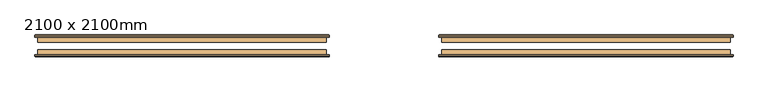
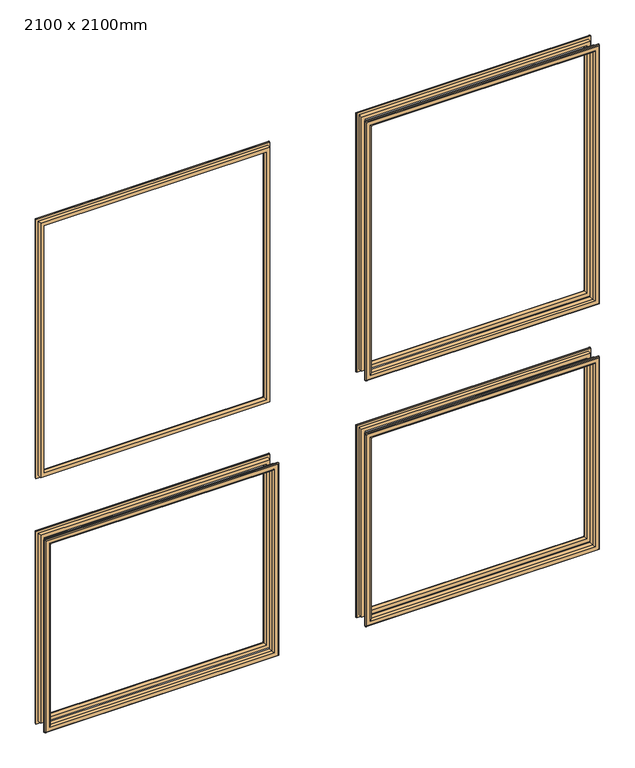
"""IFC4 building model written with IfcOpenShell, lengths in millimetres: door geometry, 2100 x 2100mm."""

from ifc_helpers import new_model, si_unit, frame, origin, place, context, project, spatial, ellipse_curve, source, transform, mapped, element, save
from ifc_brep_helpers import plane_surface, cylinder_surface, advanced_brep


def door_2100_x_2100mm_2986aa5a(model_context):
    return source(origin(), model_context, "Body", "AdvancedBrep", [
        advanced_brep(
        [(-900.0, 68.85, 900.0), (-900.0, 81.35, 900.0), (-900.0, 81.35, 250.0), (-900.0, 68.85, 250.0), (-888.0, 82.35, 888.0), (-888.0, 68.85, 888.0), (-888.0, 68.85, 262.0), (-888.0, 82.35, 262.0), (-893.0, 87.35, 893.0), (-893.0, 87.35, 257.0), (-908.0, 85.35, 908.0), (-906.0, 87.35, 906.0), (-906.0, 87.35, 244.0), (-908.0, 85.35, 242.0), (-908.0, 81.35, 908.0), (-908.0, 81.35, 242.0), (-150.0, 81.35, 250.0), (-150.0, 68.85, 250.0), (-162.0, 68.85, 262.0), (-162.0, 82.35, 262.0), (-157.0, 87.35, 257.0), (-144.0, 87.35, 244.0), (-142.0, 85.35, 242.0), (-142.0, 81.35, 242.0), (-150.0, 81.35, 900.0), (-150.0, 68.85, 900.0), (-162.0, 68.85, 888.0), (-162.0, 82.35, 888.0), (-157.0, 87.35, 893.0), (-144.0, 87.35, 906.0), (-142.0, 85.35, 908.0), (-142.0, 81.35, 908.0)],
        [
            (0, 1),
            (1, 2),
            (2, 3),
            (3, 0),
            (4, 5),
            (5, 6),
            (6, 7),
            (7, 4),
            (8, 4, ellipse_curve(frame((-893.0, 82.35, 893.0), z_axis=(-0.7071067811865475, 0.0, -0.7071067811865475), x_axis=(-0.7071067811865474, 0.0, 0.7071067811865476)), 7.0710678, 5.0)),
            (7, 9, ellipse_curve(frame((-893.0, 82.35, 257.0), z_axis=(-0.7071067811865475, 0.0, 0.7071067811865475), x_axis=(0.7071067811865474, 0.0, 0.7071067811865476)), 7.0710678, 5.0)),
            (9, 8),
            (10, 11, ellipse_curve(frame((-906.0, 85.35, 906.0), z_axis=(-0.7071067811865475, 0.0, -0.7071067811865475), x_axis=(-0.7071067811865474, 0.0, 0.7071067811865476)), 2.8284271, 2.0)),
            (11, 12),
            (12, 13, ellipse_curve(frame((-906.0, 85.35, 244.0), z_axis=(-0.7071067811865475, 0.0, 0.7071067811865475), x_axis=(0.7071067811865474, 0.0, 0.7071067811865476)), 2.8284271, 2.0)),
            (13, 10),
            (14, 10),
            (13, 15),
            (15, 14),
            (2, 16),
            (16, 17),
            (17, 3),
            (6, 18),
            (18, 19),
            (19, 7),
            (19, 20, ellipse_curve(frame((-157.0, 82.35, 257.0), z_axis=(-0.7071067811865475, 0.0, -0.7071067811865475), x_axis=(-0.7071067811865476, 0.0, 0.7071067811865474)), 7.0710678, 5.0)),
            (20, 9),
            (12, 21),
            (21, 22, ellipse_curve(frame((-144.0, 85.35, 244.0), z_axis=(-0.7071067811865475, 0.0, -0.7071067811865475), x_axis=(-0.7071067811865476, 0.0, 0.7071067811865474)), 2.8284271, 2.0)),
            (22, 13),
            (22, 23),
            (23, 15),
            (16, 24),
            (24, 25),
            (25, 17),
            (18, 26),
            (26, 27),
            (27, 19),
            (27, 28, ellipse_curve(frame((-157.0, 82.35, 893.0), z_axis=(0.7071067811865475, 0.0, -0.7071067811865475), x_axis=(-0.7071067811865474, 0.0, -0.7071067811865476)), 7.0710678, 5.0)),
            (28, 20),
            (21, 29),
            (29, 30, ellipse_curve(frame((-144.0, 85.35, 906.0), z_axis=(0.7071067811865475, 0.0, -0.7071067811865475), x_axis=(-0.7071067811865474, 0.0, -0.7071067811865476)), 2.8284271, 2.0)),
            (30, 22),
            (30, 31),
            (31, 23),
            (31, 14),
            (1, 24),
            (0, 25),
            (5, 26),
            (4, 27),
            (8, 28),
            (11, 29),
            (10, 30),
        ],
        [
            plane_surface(frame((-900.0, 81.35, 900.0), z_axis=(-1.0, 0.0, 0.0), x_axis=(0.0, 0.0, -1.0))),
            plane_surface(frame((-888.0, 68.85, 888.0), z_axis=(1.0, 0.0, 0.0), x_axis=(0.0, 0.0, -1.0))),
            cylinder_surface(frame((-893.0, 82.35, 900.0), z_axis=(0.0, 0.0, 1.0), x_axis=(-1.0, 0.0, 0.0)), 5.0),
            cylinder_surface(frame((-906.0, 85.35, 900.0), z_axis=(0.0, 0.0, 1.0), x_axis=(-1.0, 0.0, 0.0)), 2.0),
            plane_surface(frame((-908.0, 85.35, 908.0), z_axis=(-1.0, 0.0, 0.0), x_axis=(0.0, 0.0, -1.0))),
            plane_surface(frame((-900.0, 81.35, 250.0), z_axis=(0.0, 0.0, -1.0), x_axis=(1.0, 0.0, 0.0))),
            plane_surface(frame((-888.0, 68.85, 262.0), z_axis=(0.0, 0.0, 1.0), x_axis=(1.0, 0.0, 0.0))),
            cylinder_surface(frame((-900.0, 82.35, 257.0), z_axis=(-1.0, 0.0, 0.0), x_axis=(0.0, 0.0, -1.0)), 5.0),
            cylinder_surface(frame((-900.0, 85.35, 244.0), z_axis=(-1.0, 0.0, 0.0), x_axis=(0.0, 0.0, -1.0)), 2.0),
            plane_surface(frame((-908.0, 85.35, 242.0), z_axis=(0.0, 0.0, -1.0), x_axis=(1.0, 0.0, 0.0))),
            plane_surface(frame((-150.0, 81.35, 250.0), z_axis=(1.0, 0.0, 0.0), x_axis=(0.0, 0.0, 1.0))),
            plane_surface(frame((-162.0, 68.85, 262.0), z_axis=(-1.0, 0.0, 0.0), x_axis=(0.0, 0.0, 1.0))),
            cylinder_surface(frame((-157.0, 82.35, 250.0), z_axis=(0.0, 0.0, -1.0), x_axis=(1.0, 0.0, 0.0)), 5.0),
            cylinder_surface(frame((-144.0, 85.35, 250.0), z_axis=(0.0, 0.0, -1.0), x_axis=(1.0, 0.0, 0.0)), 2.0),
            plane_surface(frame((-142.0, 85.35, 242.0), z_axis=(1.0, 0.0, 0.0), x_axis=(0.0, 0.0, 1.0))),
            plane_surface(frame((-142.0, 81.35, 908.0), z_axis=(0.0, -1.0, 0.0), x_axis=(-1.0, 0.0, 0.0))),
            plane_surface(frame((-150.0, 81.35, 900.0), z_axis=(0.0, 0.0, 1.0), x_axis=(-1.0, 0.0, 0.0))),
            plane_surface(frame((-150.0, 68.85, 900.0), z_axis=(0.0, -1.0, 0.0), x_axis=(-1.0, 0.0, 0.0))),
            plane_surface(frame((-162.0, 68.85, 888.0), z_axis=(0.0, 0.0, -1.0), x_axis=(-1.0, 0.0, 0.0))),
            cylinder_surface(frame((-150.0, 82.35, 893.0), z_axis=(1.0, 0.0, 0.0), x_axis=(0.0, 0.0, 1.0)), 5.0),
            plane_surface(frame((-157.0, 87.35, 893.0), z_axis=(0.0, 1.0, 0.0), x_axis=(-1.0, 0.0, 0.0))),
            cylinder_surface(frame((-150.0, 85.35, 906.0), z_axis=(1.0, 0.0, 0.0), x_axis=(0.0, 0.0, 1.0)), 2.0),
            plane_surface(frame((-142.0, 85.35, 908.0), z_axis=(0.0, 0.0, 1.0), x_axis=(-1.0, 0.0, 0.0))),
        ],
        [
            (0, [[1, 2, 3, 4]]),
            (1, [[5, 6, 7, 8]]),
            (2, [[9, -8, 10, 11]]),
            (3, [[12, 13, 14, 15]]),
            (4, [[16, -15, 17, 18]]),
            (5, [[-3, 19, 20, 21]]),
            (6, [[-7, 22, 23, 24]]),
            (7, [[-10, -24, 25, 26]]),
            (8, [[-14, 27, 28, 29]]),
            (9, [[-17, -29, 30, 31]]),
            (10, [[-20, 32, 33, 34]]),
            (11, [[-23, 35, 36, 37]]),
            (12, [[-25, -37, 38, 39]]),
            (13, [[-28, 40, 41, 42]]),
            (14, [[-30, -42, 43, 44]]),
            (15, [[-31, -44, 45, -18], [46, -32, -19, -2]]),
            (16, [[-33, -46, -1, 47]]),
            (17, [[-21, -34, -47, -4], [48, -35, -22, -6]]),
            (18, [[-36, -48, -5, 49]]),
            (19, [[-38, -49, -9, 50]]),
            (20, [[51, -40, -27, -13], [-26, -39, -50, -11]]),
            (21, [[-41, -51, -12, 52]]),
            (22, [[-43, -52, -16, -45]]),
        ],
    ),
        advanced_brep(
        [(150.0, 68.85, 900.0), (150.0, 81.35, 900.0), (150.0, 81.35, 250.0), (150.0, 68.85, 250.0), (162.0, 82.35, 888.0), (162.0, 68.85, 888.0), (162.0, 68.85, 262.0), (162.0, 82.35, 262.0), (157.0, 87.35, 893.0), (157.0, 87.35, 257.0), (142.0, 85.35, 908.0), (144.0, 87.35, 906.0), (144.0, 87.35, 244.0), (142.0, 85.35, 242.0), (142.0, 81.35, 908.0), (142.0, 81.35, 242.0), (900.0, 81.35, 250.0), (900.0, 68.85, 250.0), (888.0, 68.85, 262.0), (888.0, 82.35, 262.0), (893.0, 87.35, 257.0), (906.0, 87.35, 244.0), (908.0, 85.35, 242.0), (908.0, 81.35, 242.0), (900.0, 81.35, 900.0), (900.0, 68.85, 900.0), (888.0, 68.85, 888.0), (888.0, 82.35, 888.0), (893.0, 87.35, 893.0), (906.0, 87.35, 906.0), (908.0, 85.35, 908.0), (908.0, 81.35, 908.0)],
        [
            (0, 1),
            (1, 2),
            (2, 3),
            (3, 0),
            (4, 5),
            (5, 6),
            (6, 7),
            (7, 4),
            (8, 4, ellipse_curve(frame((157.0, 82.35, 893.0), z_axis=(-0.7071067811865475, 0.0, -0.7071067811865475), x_axis=(-0.7071067811865474, 0.0, 0.7071067811865476)), 7.0710678, 5.0)),
            (7, 9, ellipse_curve(frame((157.0, 82.35, 257.0), z_axis=(-0.7071067811865475, 0.0, 0.7071067811865475), x_axis=(0.7071067811865474, 0.0, 0.7071067811865476)), 7.0710678, 5.0)),
            (9, 8),
            (10, 11, ellipse_curve(frame((144.0, 85.35, 906.0), z_axis=(-0.7071067811865475, 0.0, -0.7071067811865475), x_axis=(-0.7071067811865474, 0.0, 0.7071067811865476)), 2.8284271, 2.0)),
            (11, 12),
            (12, 13, ellipse_curve(frame((144.0, 85.35, 244.0), z_axis=(-0.7071067811865475, 0.0, 0.7071067811865475), x_axis=(0.7071067811865474, 0.0, 0.7071067811865476)), 2.8284271, 2.0)),
            (13, 10),
            (14, 10),
            (13, 15),
            (15, 14),
            (2, 16),
            (16, 17),
            (17, 3),
            (6, 18),
            (18, 19),
            (19, 7),
            (19, 20, ellipse_curve(frame((893.0, 82.35, 257.0), z_axis=(-0.7071067811865475, 0.0, -0.7071067811865475), x_axis=(-0.7071067811865476, 0.0, 0.7071067811865474)), 7.0710678, 5.0)),
            (20, 9),
            (12, 21),
            (21, 22, ellipse_curve(frame((906.0, 85.35, 244.0), z_axis=(-0.7071067811865475, 0.0, -0.7071067811865475), x_axis=(-0.7071067811865476, 0.0, 0.7071067811865474)), 2.8284271, 2.0)),
            (22, 13),
            (22, 23),
            (23, 15),
            (16, 24),
            (24, 25),
            (25, 17),
            (18, 26),
            (26, 27),
            (27, 19),
            (27, 28, ellipse_curve(frame((893.0, 82.35, 893.0), z_axis=(0.7071067811865475, 0.0, -0.7071067811865475), x_axis=(-0.7071067811865474, 0.0, -0.7071067811865476)), 7.0710678, 5.0)),
            (28, 20),
            (21, 29),
            (29, 30, ellipse_curve(frame((906.0, 85.35, 906.0), z_axis=(0.7071067811865475, 0.0, -0.7071067811865475), x_axis=(-0.7071067811865474, 0.0, -0.7071067811865476)), 2.8284271, 2.0)),
            (30, 22),
            (30, 31),
            (31, 23),
            (31, 14),
            (1, 24),
            (0, 25),
            (5, 26),
            (4, 27),
            (8, 28),
            (11, 29),
            (10, 30),
        ],
        [
            plane_surface(frame((150.0, 81.35, 900.0), z_axis=(-1.0, 0.0, 0.0), x_axis=(0.0, 0.0, -1.0))),
            plane_surface(frame((162.0, 68.85, 888.0), z_axis=(1.0, 0.0, 0.0), x_axis=(0.0, 0.0, -1.0))),
            cylinder_surface(frame((157.0, 82.35, 900.0), z_axis=(0.0, 0.0, 1.0), x_axis=(-1.0, 0.0, 0.0)), 5.0),
            cylinder_surface(frame((144.0, 85.35, 900.0), z_axis=(0.0, 0.0, 1.0), x_axis=(-1.0, 0.0, 0.0)), 2.0),
            plane_surface(frame((142.0, 85.35, 908.0), z_axis=(-1.0, 0.0, 0.0), x_axis=(0.0, 0.0, -1.0))),
            plane_surface(frame((150.0, 81.35, 250.0), z_axis=(0.0, 0.0, -1.0), x_axis=(1.0, 0.0, 0.0))),
            plane_surface(frame((162.0, 68.85, 262.0), z_axis=(0.0, 0.0, 1.0), x_axis=(1.0, 0.0, 0.0))),
            cylinder_surface(frame((150.0, 82.35, 257.0), z_axis=(-1.0, 0.0, 0.0), x_axis=(0.0, 0.0, -1.0)), 5.0),
            cylinder_surface(frame((150.0, 85.35, 244.0), z_axis=(-1.0, 0.0, 0.0), x_axis=(0.0, 0.0, -1.0)), 2.0),
            plane_surface(frame((142.0, 85.35, 242.0), z_axis=(0.0, 0.0, -1.0), x_axis=(1.0, 0.0, 0.0))),
            plane_surface(frame((900.0, 81.35, 250.0), z_axis=(1.0, 0.0, 0.0), x_axis=(0.0, 0.0, 1.0))),
            plane_surface(frame((888.0, 68.85, 262.0), z_axis=(-1.0, 0.0, 0.0), x_axis=(0.0, 0.0, 1.0))),
            cylinder_surface(frame((893.0, 82.35, 250.0), z_axis=(0.0, 0.0, -1.0), x_axis=(1.0, 0.0, 0.0)), 5.0),
            cylinder_surface(frame((906.0, 85.35, 250.0), z_axis=(0.0, 0.0, -1.0), x_axis=(1.0, 0.0, 0.0)), 2.0),
            plane_surface(frame((908.0, 85.35, 242.0), z_axis=(1.0, 0.0, 0.0), x_axis=(0.0, 0.0, 1.0))),
            plane_surface(frame((908.0, 81.35, 908.0), z_axis=(0.0, -1.0, 0.0), x_axis=(-1.0, 0.0, 0.0))),
            plane_surface(frame((900.0, 81.35, 900.0), z_axis=(0.0, 0.0, 1.0), x_axis=(-1.0, 0.0, 0.0))),
            plane_surface(frame((900.0, 68.85, 900.0), z_axis=(0.0, -1.0, 0.0), x_axis=(-1.0, 0.0, 0.0))),
            plane_surface(frame((888.0, 68.85, 888.0), z_axis=(0.0, 0.0, -1.0), x_axis=(-1.0, 0.0, 0.0))),
            cylinder_surface(frame((900.0, 82.35, 893.0), z_axis=(1.0, 0.0, 0.0), x_axis=(0.0, 0.0, 1.0)), 5.0),
            plane_surface(frame((893.0, 87.35, 893.0), z_axis=(0.0, 1.0, 0.0), x_axis=(-1.0, 0.0, 0.0))),
            cylinder_surface(frame((900.0, 85.35, 906.0), z_axis=(1.0, 0.0, 0.0), x_axis=(0.0, 0.0, 1.0)), 2.0),
            plane_surface(frame((908.0, 85.35, 908.0), z_axis=(0.0, 0.0, 1.0), x_axis=(-1.0, 0.0, 0.0))),
        ],
        [
            (0, [[1, 2, 3, 4]]),
            (1, [[5, 6, 7, 8]]),
            (2, [[9, -8, 10, 11]]),
            (3, [[12, 13, 14, 15]]),
            (4, [[16, -15, 17, 18]]),
            (5, [[-3, 19, 20, 21]]),
            (6, [[-7, 22, 23, 24]]),
            (7, [[-10, -24, 25, 26]]),
            (8, [[-14, 27, 28, 29]]),
            (9, [[-17, -29, 30, 31]]),
            (10, [[-20, 32, 33, 34]]),
            (11, [[-23, 35, 36, 37]]),
            (12, [[-25, -37, 38, 39]]),
            (13, [[-28, 40, 41, 42]]),
            (14, [[-30, -42, 43, 44]]),
            (15, [[-31, -44, 45, -18], [46, -32, -19, -2]]),
            (16, [[-33, -46, -1, 47]]),
            (17, [[-21, -34, -47, -4], [48, -35, -22, -6]]),
            (18, [[-36, -48, -5, 49]]),
            (19, [[-38, -49, -9, 50]]),
            (20, [[51, -40, -27, -13], [-26, -39, -50, -11]]),
            (21, [[-41, -51, -12, 52]]),
            (22, [[-43, -52, -16, -45]]),
        ],
    ),
        advanced_brep(
        [(150.0, 68.85, 1980.0), (150.0, 81.35, 1980.0), (150.0, 81.35, 1100.0), (150.0, 68.85, 1100.0), (162.0, 82.35, 1968.0), (162.0, 68.85, 1968.0), (162.0, 68.85, 1112.0), (162.0, 82.35, 1112.0), (157.0, 87.35, 1973.0), (157.0, 87.35, 1107.0), (142.0, 85.35, 1988.0), (144.0, 87.35, 1986.0), (144.0, 87.35, 1094.0), (142.0, 85.35, 1092.0), (142.0, 81.35, 1988.0), (142.0, 81.35, 1092.0), (900.0, 81.35, 1100.0), (900.0, 68.85, 1100.0), (888.0, 68.85, 1112.0), (888.0, 82.35, 1112.0), (893.0, 87.35, 1107.0), (906.0, 87.35, 1094.0), (908.0, 85.35, 1092.0), (908.0, 81.35, 1092.0), (900.0, 81.35, 1980.0), (900.0, 68.85, 1980.0), (888.0, 68.85, 1968.0), (888.0, 82.35, 1968.0), (893.0, 87.35, 1973.0), (906.0, 87.35, 1986.0), (908.0, 85.35, 1988.0), (908.0, 81.35, 1988.0)],
        [
            (0, 1),
            (1, 2),
            (2, 3),
            (3, 0),
            (4, 5),
            (5, 6),
            (6, 7),
            (7, 4),
            (8, 4, ellipse_curve(frame((157.0, 82.35, 1973.0), z_axis=(-0.7071067811865475, 0.0, -0.7071067811865475), x_axis=(-0.7071067811865474, 0.0, 0.7071067811865476)), 7.0710678, 5.0)),
            (7, 9, ellipse_curve(frame((157.0, 82.35, 1107.0), z_axis=(-0.7071067811865475, 0.0, 0.7071067811865475), x_axis=(0.7071067811865474, 0.0, 0.7071067811865476)), 7.0710678, 5.0)),
            (9, 8),
            (10, 11, ellipse_curve(frame((144.0, 85.35, 1986.0), z_axis=(-0.7071067811865475, 0.0, -0.7071067811865475), x_axis=(-0.7071067811865474, 0.0, 0.7071067811865476)), 2.8284271, 2.0)),
            (11, 12),
            (12, 13, ellipse_curve(frame((144.0, 85.35, 1094.0), z_axis=(-0.7071067811865475, 0.0, 0.7071067811865475), x_axis=(0.7071067811865474, 0.0, 0.7071067811865476)), 2.8284271, 2.0)),
            (13, 10),
            (14, 10),
            (13, 15),
            (15, 14),
            (2, 16),
            (16, 17),
            (17, 3),
            (6, 18),
            (18, 19),
            (19, 7),
            (19, 20, ellipse_curve(frame((893.0, 82.35, 1107.0), z_axis=(-0.7071067811865475, 0.0, -0.7071067811865475), x_axis=(-0.7071067811865476, 0.0, 0.7071067811865474)), 7.0710678, 5.0)),
            (20, 9),
            (12, 21),
            (21, 22, ellipse_curve(frame((906.0, 85.35, 1094.0), z_axis=(-0.7071067811865475, 0.0, -0.7071067811865475), x_axis=(-0.7071067811865476, 0.0, 0.7071067811865474)), 2.8284271, 2.0)),
            (22, 13),
            (22, 23),
            (23, 15),
            (16, 24),
            (24, 25),
            (25, 17),
            (18, 26),
            (26, 27),
            (27, 19),
            (27, 28, ellipse_curve(frame((893.0, 82.35, 1973.0), z_axis=(0.7071067811865475, 0.0, -0.7071067811865475), x_axis=(-0.7071067811865474, 0.0, -0.7071067811865476)), 7.0710678, 5.0)),
            (28, 20),
            (21, 29),
            (29, 30, ellipse_curve(frame((906.0, 85.35, 1986.0), z_axis=(0.7071067811865475, 0.0, -0.7071067811865475), x_axis=(-0.7071067811865474, 0.0, -0.7071067811865476)), 2.8284271, 2.0)),
            (30, 22),
            (30, 31),
            (31, 23),
            (31, 14),
            (1, 24),
            (0, 25),
            (5, 26),
            (4, 27),
            (8, 28),
            (11, 29),
            (10, 30),
        ],
        [
            plane_surface(frame((150.0, 81.35, 1980.0), z_axis=(-1.0, 0.0, 0.0), x_axis=(0.0, 0.0, -1.0))),
            plane_surface(frame((162.0, 68.85, 1968.0), z_axis=(1.0, 0.0, 0.0), x_axis=(0.0, 0.0, -1.0))),
            cylinder_surface(frame((157.0, 82.35, 1980.0), z_axis=(0.0, 0.0, 1.0), x_axis=(-1.0, 0.0, 0.0)), 5.0),
            cylinder_surface(frame((144.0, 85.35, 1980.0), z_axis=(0.0, 0.0, 1.0), x_axis=(-1.0, 0.0, 0.0)), 2.0),
            plane_surface(frame((142.0, 85.35, 1988.0), z_axis=(-1.0, 0.0, 0.0), x_axis=(0.0, 0.0, -1.0))),
            plane_surface(frame((150.0, 81.35, 1100.0), z_axis=(0.0, 0.0, -1.0), x_axis=(1.0, 0.0, 0.0))),
            plane_surface(frame((162.0, 68.85, 1112.0), z_axis=(0.0, 0.0, 1.0), x_axis=(1.0, 0.0, 0.0))),
            cylinder_surface(frame((150.0, 82.35, 1107.0), z_axis=(-1.0, 0.0, 0.0), x_axis=(0.0, 0.0, -1.0)), 5.0),
            cylinder_surface(frame((150.0, 85.35, 1094.0), z_axis=(-1.0, 0.0, 0.0), x_axis=(0.0, 0.0, -1.0)), 2.0),
            plane_surface(frame((142.0, 85.35, 1092.0), z_axis=(0.0, 0.0, -1.0), x_axis=(1.0, 0.0, 0.0))),
            plane_surface(frame((900.0, 81.35, 1100.0), z_axis=(1.0, 0.0, 0.0), x_axis=(0.0, 0.0, 1.0))),
            plane_surface(frame((888.0, 68.85, 1112.0), z_axis=(-1.0, 0.0, 0.0), x_axis=(0.0, 0.0, 1.0))),
            cylinder_surface(frame((893.0, 82.35, 1100.0), z_axis=(0.0, 0.0, -1.0), x_axis=(1.0, 0.0, 0.0)), 5.0),
            cylinder_surface(frame((906.0, 85.35, 1100.0), z_axis=(0.0, 0.0, -1.0), x_axis=(1.0, 0.0, 0.0)), 2.0),
            plane_surface(frame((908.0, 85.35, 1092.0), z_axis=(1.0, 0.0, 0.0), x_axis=(0.0, 0.0, 1.0))),
            plane_surface(frame((908.0, 81.35, 1988.0), z_axis=(0.0, -1.0, 0.0), x_axis=(-1.0, 0.0, 0.0))),
            plane_surface(frame((900.0, 81.35, 1980.0), z_axis=(0.0, 0.0, 1.0), x_axis=(-1.0, 0.0, 0.0))),
            plane_surface(frame((900.0, 68.85, 1980.0), z_axis=(0.0, -1.0, 0.0), x_axis=(-1.0, 0.0, 0.0))),
            plane_surface(frame((888.0, 68.85, 1968.0), z_axis=(0.0, 0.0, -1.0), x_axis=(-1.0, 0.0, 0.0))),
            cylinder_surface(frame((900.0, 82.35, 1973.0), z_axis=(1.0, 0.0, 0.0), x_axis=(0.0, 0.0, 1.0)), 5.0),
            plane_surface(frame((893.0, 87.35, 1973.0), z_axis=(0.0, 1.0, 0.0), x_axis=(-1.0, 0.0, 0.0))),
            cylinder_surface(frame((900.0, 85.35, 1986.0), z_axis=(1.0, 0.0, 0.0), x_axis=(0.0, 0.0, 1.0)), 2.0),
            plane_surface(frame((908.0, 85.35, 1988.0), z_axis=(0.0, 0.0, 1.0), x_axis=(-1.0, 0.0, 0.0))),
        ],
        [
            (0, [[1, 2, 3, 4]]),
            (1, [[5, 6, 7, 8]]),
            (2, [[9, -8, 10, 11]]),
            (3, [[12, 13, 14, 15]]),
            (4, [[16, -15, 17, 18]]),
            (5, [[-3, 19, 20, 21]]),
            (6, [[-7, 22, 23, 24]]),
            (7, [[-10, -24, 25, 26]]),
            (8, [[-14, 27, 28, 29]]),
            (9, [[-17, -29, 30, 31]]),
            (10, [[-20, 32, 33, 34]]),
            (11, [[-23, 35, 36, 37]]),
            (12, [[-25, -37, 38, 39]]),
            (13, [[-28, 40, 41, 42]]),
            (14, [[-30, -42, 43, 44]]),
            (15, [[-31, -44, 45, -18], [46, -32, -19, -2]]),
            (16, [[-33, -46, -1, 47]]),
            (17, [[-21, -34, -47, -4], [48, -35, -22, -6]]),
            (18, [[-36, -48, -5, 49]]),
            (19, [[-38, -49, -9, 50]]),
            (20, [[51, -40, -27, -13], [-26, -39, -50, -11]]),
            (21, [[-41, -51, -12, 52]]),
            (22, [[-43, -52, -16, -45]]),
        ],
    ),
        advanced_brep(
        [(-900.0, 68.85, 1980.0), (-900.0, 81.35, 1980.0), (-900.0, 81.35, 1100.0), (-900.0, 68.85, 1100.0), (-888.0, 82.35, 1968.0), (-888.0, 68.85, 1968.0), (-888.0, 68.85, 1112.0), (-888.0, 82.35, 1112.0), (-893.0, 87.35, 1973.0), (-893.0, 87.35, 1107.0), (-908.0, 85.35, 1988.0), (-906.0, 87.35, 1986.0), (-906.0, 87.35, 1094.0), (-908.0, 85.35, 1092.0), (-908.0, 81.35, 1988.0), (-908.0, 81.35, 1092.0), (-150.0, 81.35, 1100.0), (-150.0, 68.85, 1100.0), (-162.0, 68.85, 1112.0), (-162.0, 82.35, 1112.0), (-157.0, 87.35, 1107.0), (-144.0, 87.35, 1094.0), (-142.0, 85.35, 1092.0), (-142.0, 81.35, 1092.0), (-150.0, 81.35, 1980.0), (-150.0, 68.85, 1980.0), (-162.0, 68.85, 1968.0), (-162.0, 82.35, 1968.0), (-157.0, 87.35, 1973.0), (-144.0, 87.35, 1986.0), (-142.0, 85.35, 1988.0), (-142.0, 81.35, 1988.0)],
        [
            (0, 1),
            (1, 2),
            (2, 3),
            (3, 0),
            (4, 5),
            (5, 6),
            (6, 7),
            (7, 4),
            (8, 4, ellipse_curve(frame((-893.0, 82.35, 1973.0), z_axis=(-0.7071067811865475, 0.0, -0.7071067811865475), x_axis=(-0.7071067811865474, 0.0, 0.7071067811865476)), 7.0710678, 5.0)),
            (7, 9, ellipse_curve(frame((-893.0, 82.35, 1107.0), z_axis=(-0.7071067811865475, 0.0, 0.7071067811865475), x_axis=(0.7071067811865474, 0.0, 0.7071067811865476)), 7.0710678, 5.0)),
            (9, 8),
            (10, 11, ellipse_curve(frame((-906.0, 85.35, 1986.0), z_axis=(-0.7071067811865475, 0.0, -0.7071067811865475), x_axis=(-0.7071067811865474, 0.0, 0.7071067811865476)), 2.8284271, 2.0)),
            (11, 12),
            (12, 13, ellipse_curve(frame((-906.0, 85.35, 1094.0), z_axis=(-0.7071067811865475, 0.0, 0.7071067811865475), x_axis=(0.7071067811865474, 0.0, 0.7071067811865476)), 2.8284271, 2.0)),
            (13, 10),
            (14, 10),
            (13, 15),
            (15, 14),
            (2, 16),
            (16, 17),
            (17, 3),
            (6, 18),
            (18, 19),
            (19, 7),
            (19, 20, ellipse_curve(frame((-157.0, 82.35, 1107.0), z_axis=(-0.7071067811865475, 0.0, -0.7071067811865475), x_axis=(-0.7071067811865476, 0.0, 0.7071067811865474)), 7.0710678, 5.0)),
            (20, 9),
            (12, 21),
            (21, 22, ellipse_curve(frame((-144.0, 85.35, 1094.0), z_axis=(-0.7071067811865475, 0.0, -0.7071067811865475), x_axis=(-0.7071067811865476, 0.0, 0.7071067811865474)), 2.8284271, 2.0)),
            (22, 13),
            (22, 23),
            (23, 15),
            (16, 24),
            (24, 25),
            (25, 17),
            (18, 26),
            (26, 27),
            (27, 19),
            (27, 28, ellipse_curve(frame((-157.0, 82.35, 1973.0), z_axis=(0.7071067811865475, 0.0, -0.7071067811865475), x_axis=(-0.7071067811865474, 0.0, -0.7071067811865476)), 7.0710678, 5.0)),
            (28, 20),
            (21, 29),
            (29, 30, ellipse_curve(frame((-144.0, 85.35, 1986.0), z_axis=(0.7071067811865475, 0.0, -0.7071067811865475), x_axis=(-0.7071067811865474, 0.0, -0.7071067811865476)), 2.8284271, 2.0)),
            (30, 22),
            (30, 31),
            (31, 23),
            (31, 14),
            (1, 24),
            (0, 25),
            (5, 26),
            (4, 27),
            (8, 28),
            (11, 29),
            (10, 30),
        ],
        [
            plane_surface(frame((-900.0, 81.35, 1980.0), z_axis=(-1.0, 0.0, 0.0), x_axis=(0.0, 0.0, -1.0))),
            plane_surface(frame((-888.0, 68.85, 1968.0), z_axis=(1.0, 0.0, 0.0), x_axis=(0.0, 0.0, -1.0))),
            cylinder_surface(frame((-893.0, 82.35, 1980.0), z_axis=(0.0, 0.0, 1.0), x_axis=(-1.0, 0.0, 0.0)), 5.0),
            cylinder_surface(frame((-906.0, 85.35, 1980.0), z_axis=(0.0, 0.0, 1.0), x_axis=(-1.0, 0.0, 0.0)), 2.0),
            plane_surface(frame((-908.0, 85.35, 1988.0), z_axis=(-1.0, 0.0, 0.0), x_axis=(0.0, 0.0, -1.0))),
            plane_surface(frame((-900.0, 81.35, 1100.0), z_axis=(0.0, 0.0, -1.0), x_axis=(1.0, 0.0, 0.0))),
            plane_surface(frame((-888.0, 68.85, 1112.0), z_axis=(0.0, 0.0, 1.0), x_axis=(1.0, 0.0, 0.0))),
            cylinder_surface(frame((-900.0, 82.35, 1107.0), z_axis=(-1.0, 0.0, 0.0), x_axis=(0.0, 0.0, -1.0)), 5.0),
            cylinder_surface(frame((-900.0, 85.35, 1094.0), z_axis=(-1.0, 0.0, 0.0), x_axis=(0.0, 0.0, -1.0)), 2.0),
            plane_surface(frame((-908.0, 85.35, 1092.0), z_axis=(0.0, 0.0, -1.0), x_axis=(1.0, 0.0, 0.0))),
            plane_surface(frame((-150.0, 81.35, 1100.0), z_axis=(1.0, 0.0, 0.0), x_axis=(0.0, 0.0, 1.0))),
            plane_surface(frame((-162.0, 68.85, 1112.0), z_axis=(-1.0, 0.0, 0.0), x_axis=(0.0, 0.0, 1.0))),
            cylinder_surface(frame((-157.0, 82.35, 1100.0), z_axis=(0.0, 0.0, -1.0), x_axis=(1.0, 0.0, 0.0)), 5.0),
            cylinder_surface(frame((-144.0, 85.35, 1100.0), z_axis=(0.0, 0.0, -1.0), x_axis=(1.0, 0.0, 0.0)), 2.0),
            plane_surface(frame((-142.0, 85.35, 1092.0), z_axis=(1.0, 0.0, 0.0), x_axis=(0.0, 0.0, 1.0))),
            plane_surface(frame((-142.0, 81.35, 1988.0), z_axis=(0.0, -1.0, 0.0), x_axis=(-1.0, 0.0, 0.0))),
            plane_surface(frame((-150.0, 81.35, 1980.0), z_axis=(0.0, 0.0, 1.0), x_axis=(-1.0, 0.0, 0.0))),
            plane_surface(frame((-150.0, 68.85, 1980.0), z_axis=(0.0, -1.0, 0.0), x_axis=(-1.0, 0.0, 0.0))),
            plane_surface(frame((-162.0, 68.85, 1968.0), z_axis=(0.0, 0.0, -1.0), x_axis=(-1.0, 0.0, 0.0))),
            cylinder_surface(frame((-150.0, 82.35, 1973.0), z_axis=(1.0, 0.0, 0.0), x_axis=(0.0, 0.0, 1.0)), 5.0),
            plane_surface(frame((-157.0, 87.35, 1973.0), z_axis=(0.0, 1.0, 0.0), x_axis=(-1.0, 0.0, 0.0))),
            cylinder_surface(frame((-150.0, 85.35, 1986.0), z_axis=(1.0, 0.0, 0.0), x_axis=(0.0, 0.0, 1.0)), 2.0),
            plane_surface(frame((-142.0, 85.35, 1988.0), z_axis=(0.0, 0.0, 1.0), x_axis=(-1.0, 0.0, 0.0))),
        ],
        [
            (0, [[1, 2, 3, 4]]),
            (1, [[5, 6, 7, 8]]),
            (2, [[9, -8, 10, 11]]),
            (3, [[12, 13, 14, 15]]),
            (4, [[16, -15, 17, 18]]),
            (5, [[-3, 19, 20, 21]]),
            (6, [[-7, 22, 23, 24]]),
            (7, [[-10, -24, 25, 26]]),
            (8, [[-14, 27, 28, 29]]),
            (9, [[-17, -29, 30, 31]]),
            (10, [[-20, 32, 33, 34]]),
            (11, [[-23, 35, 36, 37]]),
            (12, [[-25, -37, 38, 39]]),
            (13, [[-28, 40, 41, 42]]),
            (14, [[-30, -42, 43, 44]]),
            (15, [[-31, -44, 45, -18], [46, -32, -19, -2]]),
            (16, [[-33, -46, -1, 47]]),
            (17, [[-21, -34, -47, -4], [48, -35, -22, -6]]),
            (18, [[-36, -48, -5, 49]]),
            (19, [[-38, -49, -9, 50]]),
            (20, [[51, -40, -27, -13], [-26, -39, -50, -11]]),
            (21, [[-41, -51, -12, 52]]),
            (22, [[-43, -52, -16, -45]]),
        ],
    ),
        advanced_brep(
        [(-900.0, 48.85, 250.0), (-900.0, 36.35, 250.0), (-900.0, 36.35, 900.0), (-900.0, 48.85, 900.0), (-888.0, 35.35, 262.0), (-888.0, 48.85, 262.0), (-888.0, 48.85, 888.0), (-888.0, 35.35, 888.0), (-893.0, 30.35, 257.0), (-893.0, 30.35, 893.0), (-908.0, 32.35, 242.0), (-906.0, 30.35, 244.0), (-906.0, 30.35, 906.0), (-908.0, 32.35, 908.0), (-908.0, 36.35, 242.0), (-908.0, 36.35, 908.0), (-150.0, 36.35, 900.0), (-150.0, 48.85, 900.0), (-162.0, 48.85, 888.0), (-162.0, 35.35, 888.0), (-157.0, 30.35, 893.0), (-144.0, 30.35, 906.0), (-142.0, 32.35, 908.0), (-142.0, 36.35, 908.0), (-150.0, 36.35, 250.0), (-150.0, 48.85, 250.0), (-162.0, 48.85, 262.0), (-162.0, 35.35, 262.0), (-157.0, 30.35, 257.0), (-144.0, 30.35, 244.0), (-142.0, 32.35, 242.0), (-142.0, 36.35, 242.0)],
        [
            (0, 1),
            (1, 2),
            (2, 3),
            (3, 0),
            (4, 5),
            (5, 6),
            (6, 7),
            (7, 4),
            (8, 4, ellipse_curve(frame((-893.0, 35.35, 257.0), z_axis=(-0.7071067811865475, 0.0, 0.7071067811865475), x_axis=(-0.7071067811865474, 0.0, -0.7071067811865476)), 7.0710678, 5.0)),
            (7, 9, ellipse_curve(frame((-893.0, 35.35, 893.0), z_axis=(-0.7071067811865475, 0.0, -0.7071067811865475), x_axis=(0.7071067811865474, 0.0, -0.7071067811865476)), 7.0710678, 5.0)),
            (9, 8),
            (10, 11, ellipse_curve(frame((-906.0, 32.35, 244.0), z_axis=(-0.7071067811865475, 0.0, 0.7071067811865475), x_axis=(-0.7071067811865474, 0.0, -0.7071067811865476)), 2.8284271, 2.0)),
            (11, 12),
            (12, 13, ellipse_curve(frame((-906.0, 32.35, 906.0), z_axis=(-0.7071067811865475, 0.0, -0.7071067811865475), x_axis=(0.7071067811865474, 0.0, -0.7071067811865476)), 2.8284271, 2.0)),
            (13, 10),
            (14, 10),
            (13, 15),
            (15, 14),
            (2, 16),
            (16, 17),
            (17, 3),
            (6, 18),
            (18, 19),
            (19, 7),
            (19, 20, ellipse_curve(frame((-157.0, 35.35, 893.0), z_axis=(-0.7071067811865475, 0.0, 0.7071067811865475), x_axis=(-0.7071067811865476, 0.0, -0.7071067811865474)), 7.0710678, 5.0)),
            (20, 9),
            (12, 21),
            (21, 22, ellipse_curve(frame((-144.0, 32.35, 906.0), z_axis=(-0.7071067811865475, 0.0, 0.7071067811865475), x_axis=(-0.7071067811865476, 0.0, -0.7071067811865474)), 2.8284271, 2.0)),
            (22, 13),
            (22, 23),
            (23, 15),
            (16, 24),
            (24, 25),
            (25, 17),
            (18, 26),
            (26, 27),
            (27, 19),
            (27, 28, ellipse_curve(frame((-157.0, 35.35, 257.0), z_axis=(0.7071067811865475, 0.0, 0.7071067811865475), x_axis=(-0.7071067811865474, 0.0, 0.7071067811865476)), 7.0710678, 5.0)),
            (28, 20),
            (21, 29),
            (29, 30, ellipse_curve(frame((-144.0, 32.35, 244.0), z_axis=(0.7071067811865475, 0.0, 0.7071067811865475), x_axis=(-0.7071067811865474, 0.0, 0.7071067811865476)), 2.8284271, 2.0)),
            (30, 22),
            (30, 31),
            (31, 23),
            (31, 14),
            (1, 24),
            (0, 25),
            (5, 26),
            (4, 27),
            (8, 28),
            (11, 29),
            (10, 30),
        ],
        [
            plane_surface(frame((-900.0, 36.35, 250.0), z_axis=(-1.0, 0.0, 0.0), x_axis=(0.0, 0.0, 1.0))),
            plane_surface(frame((-888.0, 48.85, 262.0), z_axis=(1.0, 0.0, 0.0), x_axis=(0.0, 0.0, 1.0))),
            cylinder_surface(frame((-893.0, 35.35, 250.0), z_axis=(0.0, 0.0, -1.0), x_axis=(-1.0, 0.0, 0.0)), 5.0),
            cylinder_surface(frame((-906.0, 32.35, 250.0), z_axis=(0.0, 0.0, -1.0), x_axis=(-1.0, 0.0, 0.0)), 2.0),
            plane_surface(frame((-908.0, 32.35, 242.0), z_axis=(-1.0, 0.0, 0.0), x_axis=(0.0, 0.0, 1.0))),
            plane_surface(frame((-900.0, 36.35, 900.0), z_axis=(0.0, 0.0, 1.0), x_axis=(1.0, 0.0, 0.0))),
            plane_surface(frame((-888.0, 48.85, 888.0), z_axis=(0.0, 0.0, -1.0), x_axis=(1.0, 0.0, 0.0))),
            cylinder_surface(frame((-900.0, 35.35, 893.0), z_axis=(-1.0, 0.0, 0.0), x_axis=(0.0, 0.0, 1.0)), 5.0),
            cylinder_surface(frame((-900.0, 32.35, 906.0), z_axis=(-1.0, 0.0, 0.0), x_axis=(0.0, 0.0, 1.0)), 2.0),
            plane_surface(frame((-908.0, 32.35, 908.0), z_axis=(0.0, 0.0, 1.0), x_axis=(1.0, 0.0, 0.0))),
            plane_surface(frame((-150.0, 36.35, 900.0), z_axis=(1.0, 0.0, 0.0), x_axis=(0.0, 0.0, -1.0))),
            plane_surface(frame((-162.0, 48.85, 888.0), z_axis=(-1.0, 0.0, 0.0), x_axis=(0.0, 0.0, -1.0))),
            cylinder_surface(frame((-157.0, 35.35, 900.0), z_axis=(0.0, 0.0, 1.0), x_axis=(1.0, 0.0, 0.0)), 5.0),
            cylinder_surface(frame((-144.0, 32.35, 900.0), z_axis=(0.0, 0.0, 1.0), x_axis=(1.0, 0.0, 0.0)), 2.0),
            plane_surface(frame((-142.0, 32.35, 908.0), z_axis=(1.0, 0.0, 0.0), x_axis=(0.0, 0.0, -1.0))),
            plane_surface(frame((-142.0, 36.35, 242.0), z_axis=(0.0, 1.0, 0.0), x_axis=(-1.0, 0.0, 0.0))),
            plane_surface(frame((-150.0, 36.35, 250.0), z_axis=(0.0, 0.0, -1.0), x_axis=(-1.0, 0.0, 0.0))),
            plane_surface(frame((-150.0, 48.85, 250.0), z_axis=(0.0, 1.0, 0.0), x_axis=(-1.0, 0.0, 0.0))),
            plane_surface(frame((-162.0, 48.85, 262.0), z_axis=(0.0, 0.0, 1.0), x_axis=(-1.0, 0.0, 0.0))),
            cylinder_surface(frame((-150.0, 35.35, 257.0), z_axis=(1.0, 0.0, 0.0), x_axis=(0.0, 0.0, -1.0)), 5.0),
            plane_surface(frame((-157.0, 30.35, 257.0), z_axis=(0.0, -1.0, 0.0), x_axis=(-1.0, 0.0, 0.0))),
            cylinder_surface(frame((-150.0, 32.35, 244.0), z_axis=(1.0, 0.0, 0.0), x_axis=(0.0, 0.0, -1.0)), 2.0),
            plane_surface(frame((-142.0, 32.35, 242.0), z_axis=(0.0, 0.0, -1.0), x_axis=(-1.0, 0.0, 0.0))),
        ],
        [
            (0, [[1, 2, 3, 4]]),
            (1, [[5, 6, 7, 8]]),
            (2, [[9, -8, 10, 11]]),
            (3, [[12, 13, 14, 15]]),
            (4, [[16, -15, 17, 18]]),
            (5, [[-3, 19, 20, 21]]),
            (6, [[-7, 22, 23, 24]]),
            (7, [[-10, -24, 25, 26]]),
            (8, [[-14, 27, 28, 29]]),
            (9, [[-17, -29, 30, 31]]),
            (10, [[-20, 32, 33, 34]]),
            (11, [[-23, 35, 36, 37]]),
            (12, [[-25, -37, 38, 39]]),
            (13, [[-28, 40, 41, 42]]),
            (14, [[-30, -42, 43, 44]]),
            (15, [[-31, -44, 45, -18], [46, -32, -19, -2]]),
            (16, [[-33, -46, -1, 47]]),
            (17, [[-21, -34, -47, -4], [48, -35, -22, -6]]),
            (18, [[-36, -48, -5, 49]]),
            (19, [[-38, -49, -9, 50]]),
            (20, [[51, -40, -27, -13], [-26, -39, -50, -11]]),
            (21, [[-41, -51, -12, 52]]),
            (22, [[-43, -52, -16, -45]]),
        ],
    ),
        advanced_brep(
        [(150.0, 48.85, 250.0), (150.0, 36.35, 250.0), (150.0, 36.35, 900.0), (150.0, 48.85, 900.0), (162.0, 35.35, 262.0), (162.0, 48.85, 262.0), (162.0, 48.85, 888.0), (162.0, 35.35, 888.0), (157.0, 30.35, 257.0), (157.0, 30.35, 893.0), (142.0, 32.35, 242.0), (144.0, 30.35, 244.0), (144.0, 30.35, 906.0), (142.0, 32.35, 908.0), (142.0, 36.35, 242.0), (142.0, 36.35, 908.0), (900.0, 36.35, 900.0), (900.0, 48.85, 900.0), (888.0, 48.85, 888.0), (888.0, 35.35, 888.0), (893.0, 30.35, 893.0), (906.0, 30.35, 906.0), (908.0, 32.35, 908.0), (908.0, 36.35, 908.0), (900.0, 36.35, 250.0), (900.0, 48.85, 250.0), (888.0, 48.85, 262.0), (888.0, 35.35, 262.0), (893.0, 30.35, 257.0), (906.0, 30.35, 244.0), (908.0, 32.35, 242.0), (908.0, 36.35, 242.0)],
        [
            (0, 1),
            (1, 2),
            (2, 3),
            (3, 0),
            (4, 5),
            (5, 6),
            (6, 7),
            (7, 4),
            (8, 4, ellipse_curve(frame((157.0, 35.35, 257.0), z_axis=(-0.7071067811865475, 0.0, 0.7071067811865475), x_axis=(-0.7071067811865474, 0.0, -0.7071067811865476)), 7.0710678, 5.0)),
            (7, 9, ellipse_curve(frame((157.0, 35.35, 893.0), z_axis=(-0.7071067811865475, 0.0, -0.7071067811865475), x_axis=(0.7071067811865474, 0.0, -0.7071067811865476)), 7.0710678, 5.0)),
            (9, 8),
            (10, 11, ellipse_curve(frame((144.0, 32.35, 244.0), z_axis=(-0.7071067811865475, 0.0, 0.7071067811865475), x_axis=(-0.7071067811865474, 0.0, -0.7071067811865476)), 2.8284271, 2.0)),
            (11, 12),
            (12, 13, ellipse_curve(frame((144.0, 32.35, 906.0), z_axis=(-0.7071067811865475, 0.0, -0.7071067811865475), x_axis=(0.7071067811865474, 0.0, -0.7071067811865476)), 2.8284271, 2.0)),
            (13, 10),
            (14, 10),
            (13, 15),
            (15, 14),
            (2, 16),
            (16, 17),
            (17, 3),
            (6, 18),
            (18, 19),
            (19, 7),
            (19, 20, ellipse_curve(frame((893.0, 35.35, 893.0), z_axis=(-0.7071067811865475, 0.0, 0.7071067811865475), x_axis=(-0.7071067811865476, 0.0, -0.7071067811865474)), 7.0710678, 5.0)),
            (20, 9),
            (12, 21),
            (21, 22, ellipse_curve(frame((906.0, 32.35, 906.0), z_axis=(-0.7071067811865475, 0.0, 0.7071067811865475), x_axis=(-0.7071067811865476, 0.0, -0.7071067811865474)), 2.8284271, 2.0)),
            (22, 13),
            (22, 23),
            (23, 15),
            (16, 24),
            (24, 25),
            (25, 17),
            (18, 26),
            (26, 27),
            (27, 19),
            (27, 28, ellipse_curve(frame((893.0, 35.35, 257.0), z_axis=(0.7071067811865475, 0.0, 0.7071067811865475), x_axis=(-0.7071067811865474, 0.0, 0.7071067811865476)), 7.0710678, 5.0)),
            (28, 20),
            (21, 29),
            (29, 30, ellipse_curve(frame((906.0, 32.35, 244.0), z_axis=(0.7071067811865475, 0.0, 0.7071067811865475), x_axis=(-0.7071067811865474, 0.0, 0.7071067811865476)), 2.8284271, 2.0)),
            (30, 22),
            (30, 31),
            (31, 23),
            (31, 14),
            (1, 24),
            (0, 25),
            (5, 26),
            (4, 27),
            (8, 28),
            (11, 29),
            (10, 30),
        ],
        [
            plane_surface(frame((150.0, 36.35, 250.0), z_axis=(-1.0, 0.0, 0.0), x_axis=(0.0, 0.0, 1.0))),
            plane_surface(frame((162.0, 48.85, 262.0), z_axis=(1.0, 0.0, 0.0), x_axis=(0.0, 0.0, 1.0))),
            cylinder_surface(frame((157.0, 35.35, 250.0), z_axis=(0.0, 0.0, -1.0), x_axis=(-1.0, 0.0, 0.0)), 5.0),
            cylinder_surface(frame((144.0, 32.35, 250.0), z_axis=(0.0, 0.0, -1.0), x_axis=(-1.0, 0.0, 0.0)), 2.0),
            plane_surface(frame((142.0, 32.35, 242.0), z_axis=(-1.0, 0.0, 0.0), x_axis=(0.0, 0.0, 1.0))),
            plane_surface(frame((150.0, 36.35, 900.0), z_axis=(0.0, 0.0, 1.0), x_axis=(1.0, 0.0, 0.0))),
            plane_surface(frame((162.0, 48.85, 888.0), z_axis=(0.0, 0.0, -1.0), x_axis=(1.0, 0.0, 0.0))),
            cylinder_surface(frame((150.0, 35.35, 893.0), z_axis=(-1.0, 0.0, 0.0), x_axis=(0.0, 0.0, 1.0)), 5.0),
            cylinder_surface(frame((150.0, 32.35, 906.0), z_axis=(-1.0, 0.0, 0.0), x_axis=(0.0, 0.0, 1.0)), 2.0),
            plane_surface(frame((142.0, 32.35, 908.0), z_axis=(0.0, 0.0, 1.0), x_axis=(1.0, 0.0, 0.0))),
            plane_surface(frame((900.0, 36.35, 900.0), z_axis=(1.0, 0.0, 0.0), x_axis=(0.0, 0.0, -1.0))),
            plane_surface(frame((888.0, 48.85, 888.0), z_axis=(-1.0, 0.0, 0.0), x_axis=(0.0, 0.0, -1.0))),
            cylinder_surface(frame((893.0, 35.35, 900.0), z_axis=(0.0, 0.0, 1.0), x_axis=(1.0, 0.0, 0.0)), 5.0),
            cylinder_surface(frame((906.0, 32.35, 900.0), z_axis=(0.0, 0.0, 1.0), x_axis=(1.0, 0.0, 0.0)), 2.0),
            plane_surface(frame((908.0, 32.35, 908.0), z_axis=(1.0, 0.0, 0.0), x_axis=(0.0, 0.0, -1.0))),
            plane_surface(frame((908.0, 36.35, 242.0), z_axis=(0.0, 1.0, 0.0), x_axis=(-1.0, 0.0, 0.0))),
            plane_surface(frame((900.0, 36.35, 250.0), z_axis=(0.0, 0.0, -1.0), x_axis=(-1.0, 0.0, 0.0))),
            plane_surface(frame((900.0, 48.85, 250.0), z_axis=(0.0, 1.0, 0.0), x_axis=(-1.0, 0.0, 0.0))),
            plane_surface(frame((888.0, 48.85, 262.0), z_axis=(0.0, 0.0, 1.0), x_axis=(-1.0, 0.0, 0.0))),
            cylinder_surface(frame((900.0, 35.35, 257.0), z_axis=(1.0, 0.0, 0.0), x_axis=(0.0, 0.0, -1.0)), 5.0),
            plane_surface(frame((893.0, 30.35, 257.0), z_axis=(0.0, -1.0, 0.0), x_axis=(-1.0, 0.0, 0.0))),
            cylinder_surface(frame((900.0, 32.35, 244.0), z_axis=(1.0, 0.0, 0.0), x_axis=(0.0, 0.0, -1.0)), 2.0),
            plane_surface(frame((908.0, 32.35, 242.0), z_axis=(0.0, 0.0, -1.0), x_axis=(-1.0, 0.0, 0.0))),
        ],
        [
            (0, [[1, 2, 3, 4]]),
            (1, [[5, 6, 7, 8]]),
            (2, [[9, -8, 10, 11]]),
            (3, [[12, 13, 14, 15]]),
            (4, [[16, -15, 17, 18]]),
            (5, [[-3, 19, 20, 21]]),
            (6, [[-7, 22, 23, 24]]),
            (7, [[-10, -24, 25, 26]]),
            (8, [[-14, 27, 28, 29]]),
            (9, [[-17, -29, 30, 31]]),
            (10, [[-20, 32, 33, 34]]),
            (11, [[-23, 35, 36, 37]]),
            (12, [[-25, -37, 38, 39]]),
            (13, [[-28, 40, 41, 42]]),
            (14, [[-30, -42, 43, 44]]),
            (15, [[-31, -44, 45, -18], [46, -32, -19, -2]]),
            (16, [[-33, -46, -1, 47]]),
            (17, [[-21, -34, -47, -4], [48, -35, -22, -6]]),
            (18, [[-36, -48, -5, 49]]),
            (19, [[-38, -49, -9, 50]]),
            (20, [[51, -40, -27, -13], [-26, -39, -50, -11]]),
            (21, [[-41, -51, -12, 52]]),
            (22, [[-43, -52, -16, -45]]),
        ],
    ),
        advanced_brep(
        [(150.0, 48.85, 1100.0), (150.0, 36.35, 1100.0), (150.0, 36.35, 1980.0), (150.0, 48.85, 1980.0), (162.0, 35.35, 1112.0), (162.0, 48.85, 1112.0), (162.0, 48.85, 1968.0), (162.0, 35.35, 1968.0), (157.0, 30.35, 1107.0), (157.0, 30.35, 1973.0), (142.0, 32.35, 1092.0), (144.0, 30.35, 1094.0), (144.0, 30.35, 1986.0), (142.0, 32.35, 1988.0), (142.0, 36.35, 1092.0), (142.0, 36.35, 1988.0), (900.0, 36.35, 1980.0), (900.0, 48.85, 1980.0), (888.0, 48.85, 1968.0), (888.0, 35.35, 1968.0), (893.0, 30.35, 1973.0), (906.0, 30.35, 1986.0), (908.0, 32.35, 1988.0), (908.0, 36.35, 1988.0), (900.0, 36.35, 1100.0), (900.0, 48.85, 1100.0), (888.0, 48.85, 1112.0), (888.0, 35.35, 1112.0), (893.0, 30.35, 1107.0), (906.0, 30.35, 1094.0), (908.0, 32.35, 1092.0), (908.0, 36.35, 1092.0)],
        [
            (0, 1),
            (1, 2),
            (2, 3),
            (3, 0),
            (4, 5),
            (5, 6),
            (6, 7),
            (7, 4),
            (8, 4, ellipse_curve(frame((157.0, 35.35, 1107.0), z_axis=(-0.7071067811865475, 0.0, 0.7071067811865475), x_axis=(-0.7071067811865474, 0.0, -0.7071067811865476)), 7.0710678, 5.0)),
            (7, 9, ellipse_curve(frame((157.0, 35.35, 1973.0), z_axis=(-0.7071067811865475, 0.0, -0.7071067811865475), x_axis=(0.7071067811865474, 0.0, -0.7071067811865476)), 7.0710678, 5.0)),
            (9, 8),
            (10, 11, ellipse_curve(frame((144.0, 32.35, 1094.0), z_axis=(-0.7071067811865475, 0.0, 0.7071067811865475), x_axis=(-0.7071067811865474, 0.0, -0.7071067811865476)), 2.8284271, 2.0)),
            (11, 12),
            (12, 13, ellipse_curve(frame((144.0, 32.35, 1986.0), z_axis=(-0.7071067811865475, 0.0, -0.7071067811865475), x_axis=(0.7071067811865474, 0.0, -0.7071067811865476)), 2.8284271, 2.0)),
            (13, 10),
            (14, 10),
            (13, 15),
            (15, 14),
            (2, 16),
            (16, 17),
            (17, 3),
            (6, 18),
            (18, 19),
            (19, 7),
            (19, 20, ellipse_curve(frame((893.0, 35.35, 1973.0), z_axis=(-0.7071067811865475, 0.0, 0.7071067811865475), x_axis=(-0.7071067811865476, 0.0, -0.7071067811865474)), 7.0710678, 5.0)),
            (20, 9),
            (12, 21),
            (21, 22, ellipse_curve(frame((906.0, 32.35, 1986.0), z_axis=(-0.7071067811865475, 0.0, 0.7071067811865475), x_axis=(-0.7071067811865476, 0.0, -0.7071067811865474)), 2.8284271, 2.0)),
            (22, 13),
            (22, 23),
            (23, 15),
            (16, 24),
            (24, 25),
            (25, 17),
            (18, 26),
            (26, 27),
            (27, 19),
            (27, 28, ellipse_curve(frame((893.0, 35.35, 1107.0), z_axis=(0.7071067811865475, 0.0, 0.7071067811865475), x_axis=(-0.7071067811865474, 0.0, 0.7071067811865476)), 7.0710678, 5.0)),
            (28, 20),
            (21, 29),
            (29, 30, ellipse_curve(frame((906.0, 32.35, 1094.0), z_axis=(0.7071067811865475, 0.0, 0.7071067811865475), x_axis=(-0.7071067811865474, 0.0, 0.7071067811865476)), 2.8284271, 2.0)),
            (30, 22),
            (30, 31),
            (31, 23),
            (31, 14),
            (1, 24),
            (0, 25),
            (5, 26),
            (4, 27),
            (8, 28),
            (11, 29),
            (10, 30),
        ],
        [
            plane_surface(frame((150.0, 36.35, 1100.0), z_axis=(-1.0, 0.0, 0.0), x_axis=(0.0, 0.0, 1.0))),
            plane_surface(frame((162.0, 48.85, 1112.0), z_axis=(1.0, 0.0, 0.0), x_axis=(0.0, 0.0, 1.0))),
            cylinder_surface(frame((157.0, 35.35, 1100.0), z_axis=(0.0, 0.0, -1.0), x_axis=(-1.0, 0.0, 0.0)), 5.0),
            cylinder_surface(frame((144.0, 32.35, 1100.0), z_axis=(0.0, 0.0, -1.0), x_axis=(-1.0, 0.0, 0.0)), 2.0),
            plane_surface(frame((142.0, 32.35, 1092.0), z_axis=(-1.0, 0.0, 0.0), x_axis=(0.0, 0.0, 1.0))),
            plane_surface(frame((150.0, 36.35, 1980.0), z_axis=(0.0, 0.0, 1.0), x_axis=(1.0, 0.0, 0.0))),
            plane_surface(frame((162.0, 48.85, 1968.0), z_axis=(0.0, 0.0, -1.0), x_axis=(1.0, 0.0, 0.0))),
            cylinder_surface(frame((150.0, 35.35, 1973.0), z_axis=(-1.0, 0.0, 0.0), x_axis=(0.0, 0.0, 1.0)), 5.0),
            cylinder_surface(frame((150.0, 32.35, 1986.0), z_axis=(-1.0, 0.0, 0.0), x_axis=(0.0, 0.0, 1.0)), 2.0),
            plane_surface(frame((142.0, 32.35, 1988.0), z_axis=(0.0, 0.0, 1.0), x_axis=(1.0, 0.0, 0.0))),
            plane_surface(frame((900.0, 36.35, 1980.0), z_axis=(1.0, 0.0, 0.0), x_axis=(0.0, 0.0, -1.0))),
            plane_surface(frame((888.0, 48.85, 1968.0), z_axis=(-1.0, 0.0, 0.0), x_axis=(0.0, 0.0, -1.0))),
            cylinder_surface(frame((893.0, 35.35, 1980.0), z_axis=(0.0, 0.0, 1.0), x_axis=(1.0, 0.0, 0.0)), 5.0),
            cylinder_surface(frame((906.0, 32.35, 1980.0), z_axis=(0.0, 0.0, 1.0), x_axis=(1.0, 0.0, 0.0)), 2.0),
            plane_surface(frame((908.0, 32.35, 1988.0), z_axis=(1.0, 0.0, 0.0), x_axis=(0.0, 0.0, -1.0))),
            plane_surface(frame((908.0, 36.35, 1092.0), z_axis=(0.0, 1.0, 0.0), x_axis=(-1.0, 0.0, 0.0))),
            plane_surface(frame((900.0, 36.35, 1100.0), z_axis=(0.0, 0.0, -1.0), x_axis=(-1.0, 0.0, 0.0))),
            plane_surface(frame((900.0, 48.85, 1100.0), z_axis=(0.0, 1.0, 0.0), x_axis=(-1.0, 0.0, 0.0))),
            plane_surface(frame((888.0, 48.85, 1112.0), z_axis=(0.0, 0.0, 1.0), x_axis=(-1.0, 0.0, 0.0))),
            cylinder_surface(frame((900.0, 35.35, 1107.0), z_axis=(1.0, 0.0, 0.0), x_axis=(0.0, 0.0, -1.0)), 5.0),
            plane_surface(frame((893.0, 30.35, 1107.0), z_axis=(0.0, -1.0, 0.0), x_axis=(-1.0, 0.0, 0.0))),
            cylinder_surface(frame((900.0, 32.35, 1094.0), z_axis=(1.0, 0.0, 0.0), x_axis=(0.0, 0.0, -1.0)), 2.0),
            plane_surface(frame((908.0, 32.35, 1092.0), z_axis=(0.0, 0.0, -1.0), x_axis=(-1.0, 0.0, 0.0))),
        ],
        [
            (0, [[1, 2, 3, 4]]),
            (1, [[5, 6, 7, 8]]),
            (2, [[9, -8, 10, 11]]),
            (3, [[12, 13, 14, 15]]),
            (4, [[16, -15, 17, 18]]),
            (5, [[-3, 19, 20, 21]]),
            (6, [[-7, 22, 23, 24]]),
            (7, [[-10, -24, 25, 26]]),
            (8, [[-14, 27, 28, 29]]),
            (9, [[-17, -29, 30, 31]]),
            (10, [[-20, 32, 33, 34]]),
            (11, [[-23, 35, 36, 37]]),
            (12, [[-25, -37, 38, 39]]),
            (13, [[-28, 40, 41, 42]]),
            (14, [[-30, -42, 43, 44]]),
            (15, [[-31, -44, 45, -18], [46, -32, -19, -2]]),
            (16, [[-33, -46, -1, 47]]),
            (17, [[-21, -34, -47, -4], [48, -35, -22, -6]]),
            (18, [[-36, -48, -5, 49]]),
            (19, [[-38, -49, -9, 50]]),
            (20, [[51, -40, -27, -13], [-26, -39, -50, -11]]),
            (21, [[-41, -51, -12, 52]]),
            (22, [[-43, -52, -16, -45]]),
        ],
    ),
    ])


if __name__ == "__main__":
    model = new_model("IFC4")
    model_context = context("Model", 3, world=origin())
    ifc_project = project(units=[si_unit("LENGTHUNIT", "METRE", prefix="MILLI")], contexts=[model_context])
    site = spatial("IfcSite", under=ifc_project)
    building = spatial("IfcBuilding", under=site)
    placement = place(None, origin())
    door_2100_x_2100mm_shape = door_2100_x_2100mm_2986aa5a(model_context)
    element("IfcDoor", 1, ObjectType="2100 x 2100mm", at=placement, inside=building, context=model_context, shape_type="MappedRepresentation", body=[
        mapped(door_2100_x_2100mm_shape, transform((0.0, 0.0, 0.0), x_axis=(1.0, 0.0, 0.0), y_axis=(0.0, 1.0, 0.0), z_axis=(0.0, 0.0, 1.0))),
    ])
    save(model, "model.ifc")
